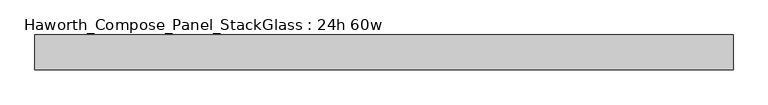
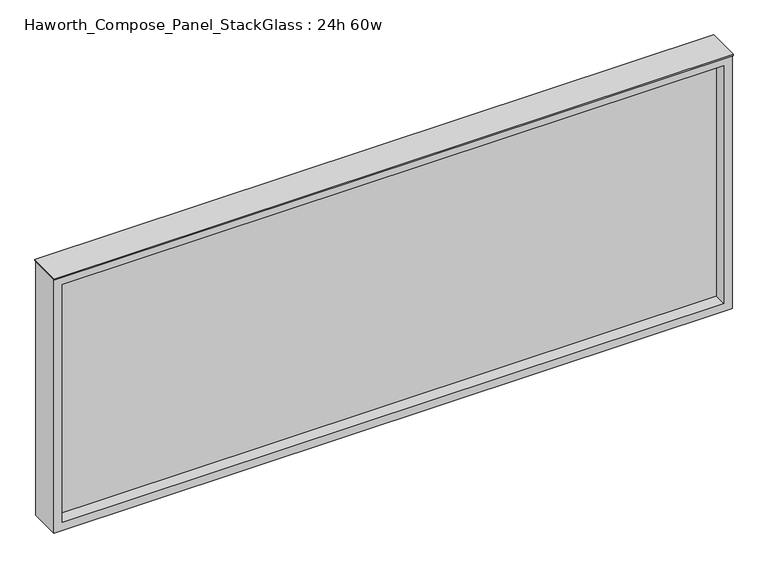
"""IFC4 building model written with IfcOpenShell, lengths in millimetres: furniture geometry, Haworth_Compose_Panel_StackGlass : 24h 60w."""

from ifc_helpers import new_model, si_unit, frame, origin, place, context, project, spatial, polyline, outline, extrude, source, transform, mapped, element, save


def haworth_compose_panel_stackglass_24h_60w_300315de(model_context):
    return source(origin(), model_context, "Body", "SweptSolid", [
        extrude(outline(polyline([(745.3902902, -6.35), (-740.5097098, -6.35), (-740.5097098, 6.35), (745.3902902, 6.35), (745.3902902, -6.35)])), frame((0.0, 0.0, 1085.85), z_axis=(0.0, 0.0, 1.0), x_axis=(1.0, 0.0, 0.0)), (0.0, 0.0, 1.0), 565.15),
        extrude(outline(polyline([(1670.05, -759.5597098), (1066.8, -759.5597098), (1066.8, 764.4402902), (1670.05, 764.4402902), (1670.05, -759.5597098)]), holes=[polyline([(1651.0, 745.3902902), (1085.85, 745.3902902), (1085.85, -740.5097098), (1651.0, -740.5097098), (1651.0, 745.3902902)])]), frame((0.0, -34.925, 0.0), z_axis=(0.0, 1.0, 0.0), x_axis=(0.0, 0.0, 1.0)), (0.0, 0.0, 1.0), 69.85),
        extrude(outline(polyline([(-759.5597098, -38.1), (-759.5597098, 38.1), (764.4402902, 38.1), (764.4402902, -38.1), (-759.5597098, -38.1)])), frame((0.0, 0.0, 1670.05), z_axis=(0.0, 0.0, 1.0), x_axis=(1.0, 0.0, 0.0)), (0.0, 0.0, 1.0), 3.175),
    ])


if __name__ == "__main__":
    model = new_model("IFC4")
    model_context = context("Model", 3, world=origin())
    ifc_project = project(units=[si_unit("LENGTHUNIT", "METRE", prefix="MILLI")], contexts=[model_context])
    site = spatial("IfcSite", under=ifc_project)
    building = spatial("IfcBuilding", under=site)
    placement = place(None, origin())
    haworth_compose_panel_stackglass_24h_60w_shape = haworth_compose_panel_stackglass_24h_60w_300315de(model_context)
    element("IfcFurniture", 1, ObjectType="Haworth_Compose_Panel_StackGlass : 24h 60w", at=placement, inside=building, context=model_context, shape_type="MappedRepresentation", body=[
        mapped(haworth_compose_panel_stackglass_24h_60w_shape, transform((0.0, 0.0, 0.0), x_axis=(1.0, 0.0, 0.0), y_axis=(0.0, 1.0, 0.0), z_axis=(0.0, 0.0, 1.0))),
    ])
    save(model, "model.ifc")
